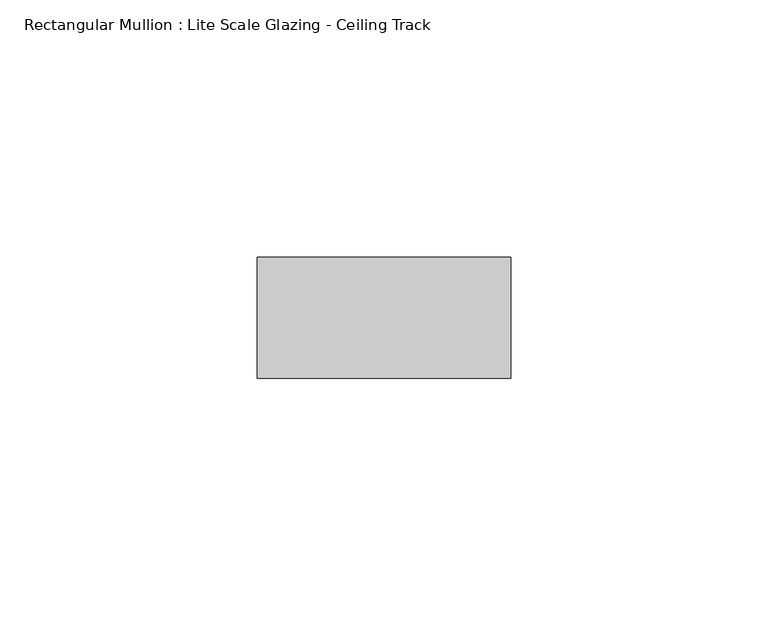
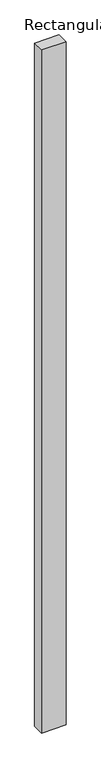
"""IFC4 building model written with IfcOpenShell, lengths in millimetres: member geometry, Rectangular Mullion : Lite Scale Glazing - Ceiling Track."""

from ifc_helpers import new_model, si_unit, frame, origin, place, context, project, spatial, polyline, outline, extrude, source, transform, mapped, element, save


def rectangular_mullion_lite_scale_glazing_ceiling_track_827ff943(model_context):
    return source(origin(), model_context, "Body", "SweptSolid", [
        extrude(outline(polyline([(-49.276, 11.7474999), (0.0, 11.7474999), (0.0, -11.7474999), (-49.276, -11.7474999), (-49.276, 11.7474999)])), frame((0.0, 0.0, -1447.8), z_axis=(0.0, 0.0, 1.0), x_axis=(1.0, 0.0, 0.0)), (0.0, 0.0, 1.0), 1447.8),
    ])


if __name__ == "__main__":
    model = new_model("IFC4")
    model_context = context("Model", 3, world=origin())
    ifc_project = project(units=[si_unit("LENGTHUNIT", "METRE", prefix="MILLI")], contexts=[model_context])
    site = spatial("IfcSite", under=ifc_project)
    building = spatial("IfcBuilding", under=site)
    placement = place(None, origin())
    rectangular_mullion_lite_scale_glazing_ceiling_track_shape = rectangular_mullion_lite_scale_glazing_ceiling_track_827ff943(model_context)
    element("IfcMember", 1, ObjectType="Rectangular Mullion : Lite Scale Glazing - Ceiling Track", at=placement, inside=building, context=model_context, shape_type="MappedRepresentation", body=[
        mapped(rectangular_mullion_lite_scale_glazing_ceiling_track_shape, transform((0.0, 0.0, 0.0), x_axis=(1.0, 0.0, 0.0), y_axis=(0.0, 1.0, 0.0), z_axis=(0.0, 0.0, 1.0))),
    ])
    save(model, "model.ifc")
